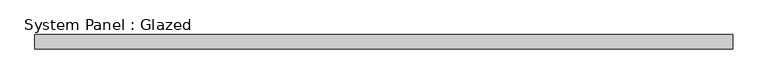
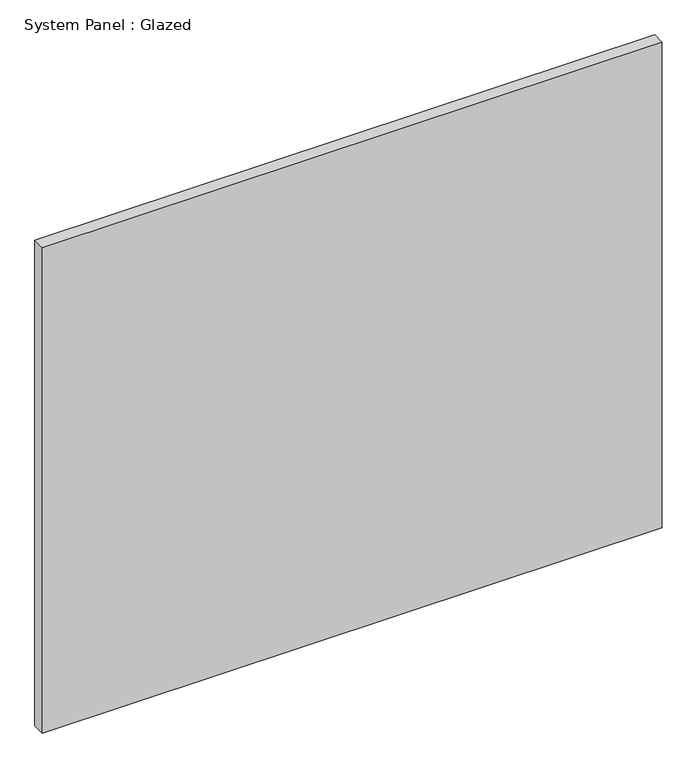
"""IFC4 building model written with IfcOpenShell, lengths in millimetres: plate geometry, System Panel : Glazed."""

from ifc_helpers import new_model, si_unit, origin, origin_with_axes, place, context, project, spatial, polyline, outline, extrude, source, transform, mapped, element, save


def system_panel_glazed_662d9847(model_context):
    return source(origin(), model_context, "Body", "SweptSolid", [
        extrude(outline(polyline([(613.8333333, -12.7), (-613.8333333, -12.7), (-613.8333333, 12.7), (613.8333333, 12.7), (613.8333333, -12.7)])), origin_with_axes(), (0.0, 0.0, 1.0), 1016.0),
    ])


if __name__ == "__main__":
    model = new_model("IFC4")
    model_context = context("Model", 3, world=origin())
    ifc_project = project(units=[si_unit("LENGTHUNIT", "METRE", prefix="MILLI")], contexts=[model_context])
    site = spatial("IfcSite", under=ifc_project)
    building = spatial("IfcBuilding", under=site)
    placement = place(None, origin())
    system_panel_glazed_shape = system_panel_glazed_662d9847(model_context)
    element("IfcPlate", 1, ObjectType="System Panel : Glazed", at=placement, inside=building, context=model_context, shape_type="MappedRepresentation", body=[
        mapped(system_panel_glazed_shape, transform((0.0, 0.0, 0.0), x_axis=(1.0, 0.0, 0.0), y_axis=(0.0, 1.0, 0.0), z_axis=(0.0, 0.0, 1.0))),
    ])
    save(model, "model.ifc")
